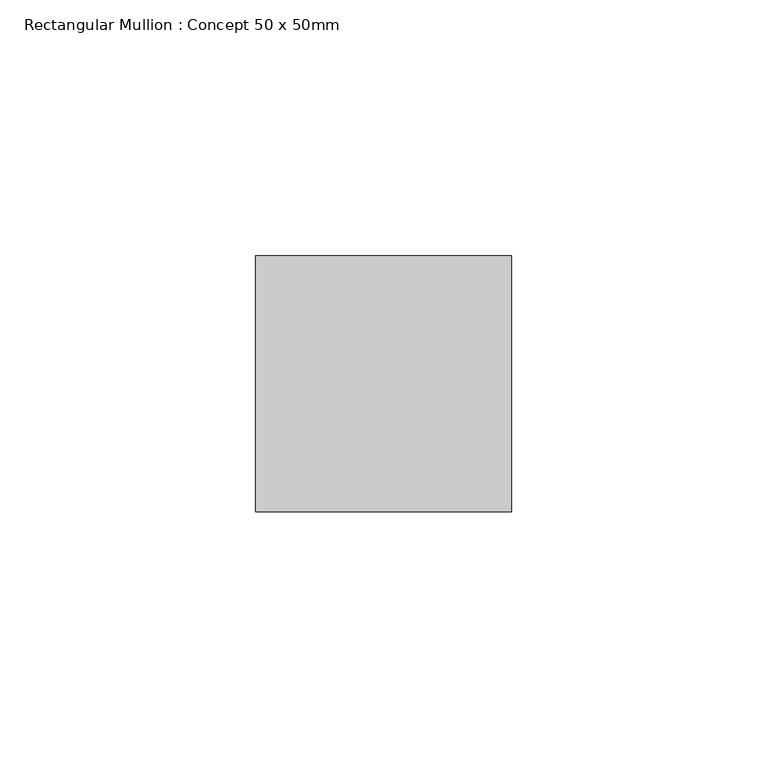
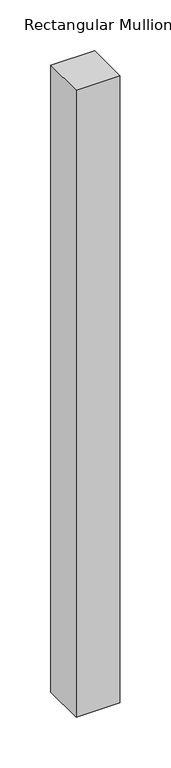
"""IFC4 building model written with IfcOpenShell, lengths in millimetres: member geometry, Rectangular Mullion : Concept 50 x 50mm."""

from ifc_helpers import new_model, si_unit, frame, origin, place, context, project, spatial, polyline, outline, extrude, source, transform, mapped, element, save


def rectangular_mullion_concept_50_x_50mm_e5e576dc(model_context):
    return source(origin(), model_context, "Body", "SweptSolid", [
        extrude(outline(polyline([(25.0, 50.0), (25.0, 0.0), (-25.0, 0.0), (-25.0, 50.0), (25.0, 50.0)])), frame((0.0, 0.0, -755.0), z_axis=(0.0, 0.0, 1.0), x_axis=(1.0, 0.0, 0.0)), (0.0, 0.0, 1.0), 755.0),
    ])


if __name__ == "__main__":
    model = new_model("IFC4")
    model_context = context("Model", 3, world=origin())
    ifc_project = project(units=[si_unit("LENGTHUNIT", "METRE", prefix="MILLI")], contexts=[model_context])
    site = spatial("IfcSite", under=ifc_project)
    building = spatial("IfcBuilding", under=site)
    placement = place(None, origin())
    rectangular_mullion_concept_50_x_50mm_shape = rectangular_mullion_concept_50_x_50mm_e5e576dc(model_context)
    element("IfcMember", 1, ObjectType="Rectangular Mullion : Concept 50 x 50mm", at=placement, inside=building, context=model_context, shape_type="MappedRepresentation", body=[
        mapped(rectangular_mullion_concept_50_x_50mm_shape, transform((0.0, 0.0, 0.0), x_axis=(1.0, 0.0, 0.0), y_axis=(0.0, 1.0, 0.0), z_axis=(0.0, 0.0, 1.0))),
    ])
    save(model, "model.ifc")
